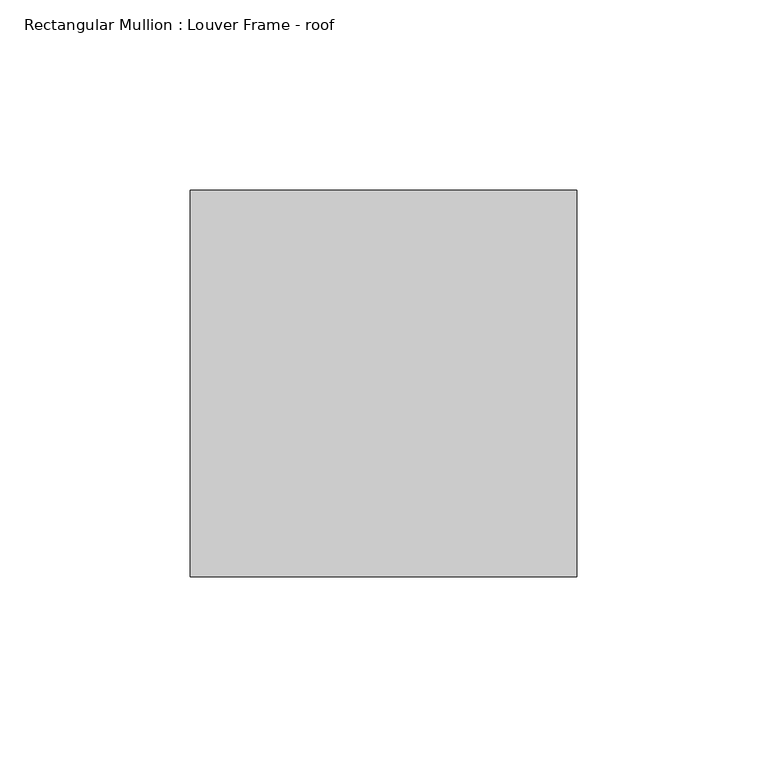
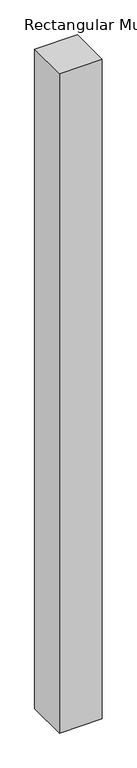
"""IFC4 building model written with IfcOpenShell, lengths in millimetres: member geometry, Rectangular Mullion : Louver Frame - roof."""

from ifc_helpers import new_model, si_unit, frame, origin, place, context, project, spatial, polyline, outline, extrude, source, transform, mapped, element, save


def rectangular_mullion_louver_frame_roof_bc39e27c(model_context):
    return source(origin(), model_context, "Body", "SweptSolid", [
        extrude(outline(polyline([(0.0, -25.4), (0.0, -127.0), (-101.6, -127.0), (-101.6, -25.4), (0.0, -25.4)])), frame((0.0, 0.0, -1660.5947001), z_axis=(0.0, 0.0, 1.0), x_axis=(1.0, 0.0, 0.0)), (0.0, 0.0, 1.0), 1660.5947001),
    ])


if __name__ == "__main__":
    model = new_model("IFC4")
    model_context = context("Model", 3, world=origin())
    ifc_project = project(units=[si_unit("LENGTHUNIT", "METRE", prefix="MILLI")], contexts=[model_context])
    site = spatial("IfcSite", under=ifc_project)
    building = spatial("IfcBuilding", under=site)
    placement = place(None, origin())
    rectangular_mullion_louver_frame_roof_shape = rectangular_mullion_louver_frame_roof_bc39e27c(model_context)
    element("IfcMember", 1, ObjectType="Rectangular Mullion : Louver Frame - roof", at=placement, inside=building, context=model_context, shape_type="MappedRepresentation", body=[
        mapped(rectangular_mullion_louver_frame_roof_shape, transform((0.0, 0.0, 0.0), x_axis=(1.0, 0.0, 0.0), y_axis=(0.0, 1.0, 0.0), z_axis=(0.0, 0.0, 1.0))),
    ])
    save(model, "model.ifc")
